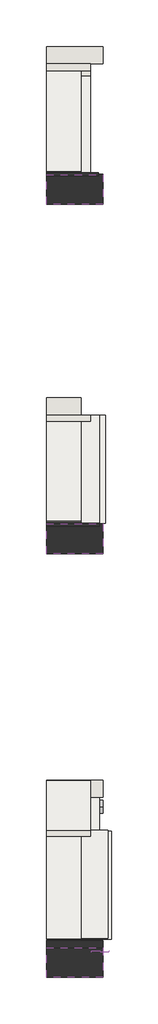
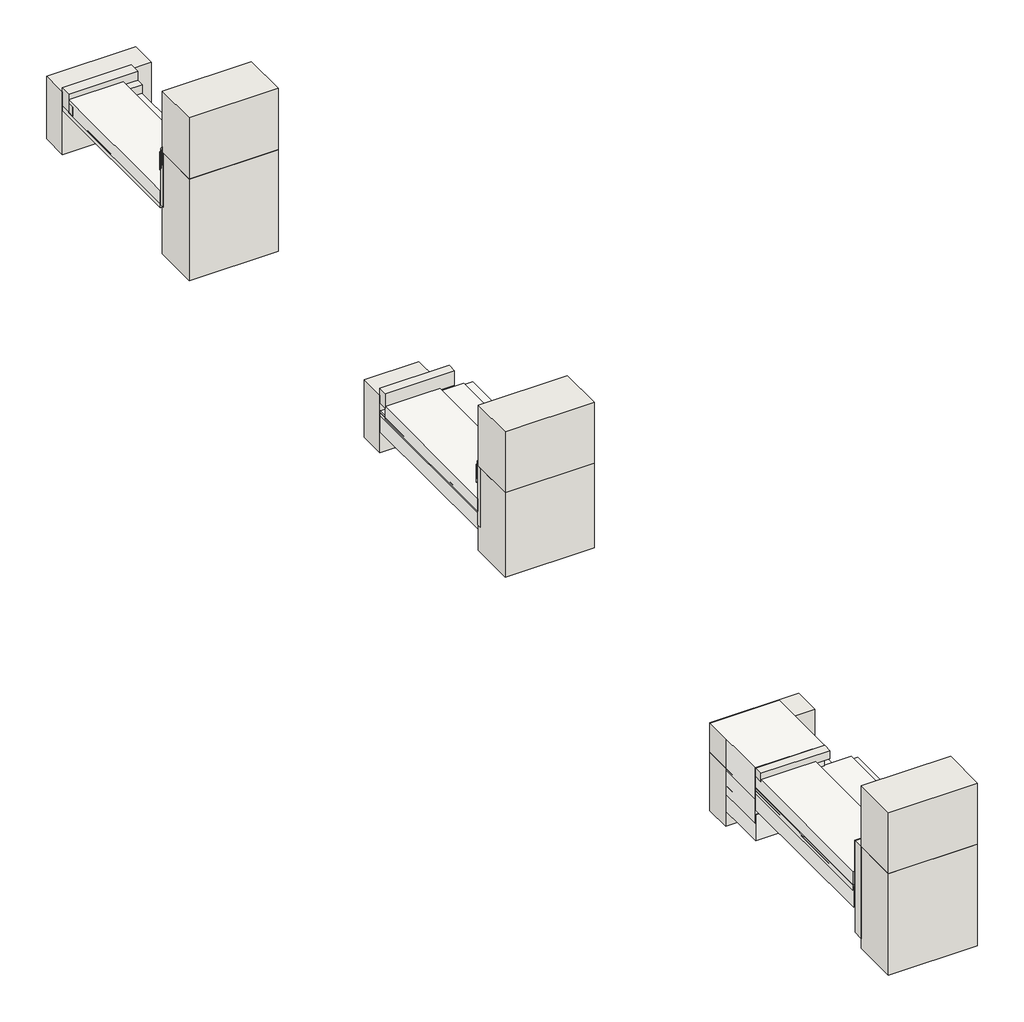
# One storey: 17 walls, 12 slabs, 3 coverings, 2 pipe segments.
"""IFC4 building model written with IfcOpenShell, lengths in millimetres."""

from ifc_helpers import new_model, si_unit, point, frame, frame_2d, origin, origin_with_axes, place, context, project, spatial, polyline, circle_curve, trimmed, segment, composite_curve, outline, extrude, element, save

model = new_model("IFC4")

# Units and contexts
model_context = context("Model", 3, world=origin())
ifc_project = project(units=[si_unit("LENGTHUNIT", "METRE", prefix="MILLI")], contexts=[model_context])

# Site, building, storey
site = spatial("IfcSite", under=ifc_project)
building = spatial("IfcBuilding", under=site)
storey = spatial("IfcBuildingStorey", under=building, Elevation=0.0)

# Coverings
placement = place(None, origin())
element("IfcCovering", 1, at=placement, inside=storey, context=model_context, shape_type="SweptSolid", body=[
    extrude(outline(polyline([(-22735.7654506, 1745.9708092), (-22735.7654506, -114.5739572), (-23495.7654506, -114.5739572), (-23495.7654506, 1745.9708092), (-22735.7654506, 1745.9708092)])), frame((0.0, 0.0, 663.3942056), z_axis=(0.0, 0.0, 1.0), x_axis=(1.0, 0.0, 0.0)), (0.0, 0.0, 1.0), 57.0),
])
element("IfcCovering", 2, at=placement, inside=storey, context=model_context, shape_type="SweptSolid", body=[
    extrude(outline(polyline([(-22575.7654506, -4296.0257159), (-22575.7654506, -6156.5704823), (-23495.7654506, -6156.5704823), (-23495.7654506, -4296.0257159), (-22575.7654506, -4296.0257159)])), frame((0.0, 0.0, 781.2434165), z_axis=(0.0, 0.0, 1.0), x_axis=(1.0, 0.0, 0.0)), (0.0, 0.0, 1.0), 57.0),
])
element("IfcCovering", 3, at=placement, inside=storey, context=model_context, shape_type="SweptSolid", body=[
    extrude(outline(polyline([(-22435.7654506, -11438.9894333), (-22435.7654506, -13299.5341997), (-23495.7654506, -13299.5341997), (-23495.7654506, -11438.9894333), (-22435.7654506, -11438.9894333)])), frame((0.0, 0.0, 724.9750179), z_axis=(0.0, 0.0, 1.0), x_axis=(1.0, 0.0, 0.0)), (0.0, 0.0, 1.0), 57.0),
])

# Pipe segments
element("IfcPipeSegment", 4, at=placement, inside=storey, context=model_context, shape_type="SweptSolid", body=[
    extrude(outline(composite_curve([segment(trimmed(circle_curve(frame_2d((-11037.5808547, 538.1699949)), 109.5375), [point((-10928.0433547, 538.1699949))], [point((-11037.5808547, 428.6324949))], False, "CARTESIAN"), True, "CONTINUOUS"), segment(trimmed(circle_curve(frame_2d((-11037.5808547, 538.1699949)), 109.5375), [point((-11037.5808547, 428.6324949))], [point((-11147.1183547, 538.1699949))], False, "CARTESIAN"), True, "CONTINUOUS"), segment(trimmed(circle_curve(frame_2d((-11037.5808547, 538.1699949)), 109.5375), [point((-11147.1183547, 538.1699949))], [point((-11037.5808547, 647.7074949))], False, "CARTESIAN"), True, "CONTINUOUS"), segment(trimmed(circle_curve(frame_2d((-11037.5808547, 538.1699949)), 109.5375), [point((-11037.5808547, 647.7074949))], [point((-10928.0433547, 538.1699949))], False, "CARTESIAN"), True, "CONTINUOUS")], self_intersect=False)), frame((-22716.1686937, 0.0, 0.0), z_axis=(1.0, 0.0, 0.0), x_axis=(0.0, 1.0, 0.0)), (0.0, 0.0, 1.0), 200.0),
])
element("IfcPipeSegment", 5, at=placement, inside=storey, context=model_context, shape_type="SweptSolid", body=[
    extrude(outline(composite_curve([segment(trimmed(circle_curve(frame_2d((-13531.1956396, 1260.4836339)), 13.335), [point((-13517.8606396, 1260.4836339))], [point((-13531.1956396, 1247.1486339))], False, "CARTESIAN"), True, "CONTINUOUS"), segment(trimmed(circle_curve(frame_2d((-13531.1956396, 1260.4836339)), 13.335), [point((-13531.1956396, 1247.1486339))], [point((-13544.5306396, 1260.4836339))], False, "CARTESIAN"), True, "CONTINUOUS"), segment(trimmed(circle_curve(frame_2d((-13531.1956396, 1260.4836339)), 13.335), [point((-13544.5306396, 1260.4836339))], [point((-13531.1956396, 1273.8186339))], False, "CARTESIAN"), True, "CONTINUOUS"), segment(trimmed(circle_curve(frame_2d((-13531.1956396, 1260.4836339)), 13.335), [point((-13531.1956396, 1273.8186339))], [point((-13517.8606396, 1260.4836339))], False, "CARTESIAN"), True, "CONTINUOUS")], self_intersect=False)), frame((-22716.1686937, 0.0, 0.0), z_axis=(1.0, 0.0, 0.0), x_axis=(0.0, 1.0, 0.0)), (0.0, 0.0, 1.0), 300.0),
])

# Slabs
element("IfcSlab", 6, at=placement, inside=storey, context=model_context, shape_type="SweptSolid", body=[
    extrude(outline(polyline([(-23495.7654506, 1634.7450289), (-22896.6322785, 1634.7450289), (-22896.6322785, -114.3992012), (-23495.7654506, -114.3992012), (-23495.7654506, 1634.7450289)])), frame((0.0, 0.0, 710.0), z_axis=(0.0, 0.0, 1.0), x_axis=(1.0, 0.0, 0.0)), (0.0, 0.0, 1.0), 150.0),
])
element("IfcSlab", 7, at=placement, inside=storey, context=model_context, shape_type="SweptSolid", body=[
    extrude(outline(polyline([(-23495.7654506, -4394.907487), (-22896.6322785, -4394.907487), (-22896.6322785, -6159.5819587), (-23495.7654506, -6159.5819587), (-23495.7654506, -4394.907487)])), frame((0.0, 0.0, 800.0), z_axis=(0.0, 0.0, 1.0), x_axis=(1.0, 0.0, 0.0)), (0.0, 0.0, 1.0), 150.0),
])
element("IfcSlab", 8, at=placement, inside=storey, context=model_context, shape_type="SweptSolid", body=[
    extrude(outline(polyline([(-23495.7654506, -4291.960648), (-22475.7654506, -4291.960648), (-22475.7654506, -6156.6469918), (-23495.7654506, -6156.6469918), (-23495.7654506, -4291.960648)])), frame((0.0, 0.0, 595.7241801), z_axis=(0.0, 0.0, 1.0), x_axis=(1.0, 0.0, 0.0)), (0.0, 0.0, 1.0), 225.0),
])
element("IfcSlab", 9, at=placement, inside=storey, context=model_context, shape_type="SweptSolid", body=[
    extrude(outline(polyline([(-23495.7654506, -11448.1956396), (-22896.6322785, -11448.1956396), (-22896.6322785, -13313.7844163), (-23495.7654506, -13313.7844163), (-23495.7654506, -11448.1956396)])), frame((0.0, 0.0, 800.0), z_axis=(0.0, 0.0, 1.0), x_axis=(1.0, 0.0, 0.0)), (0.0, 0.0, 1.0), 150.0),
])
element("IfcSlab", 10, at=placement, inside=storey, context=model_context, shape_type="SweptSolid", body=[
    extrude(outline(polyline([(-23495.7654506, -11456.6251925), (-22375.7654506, -11456.6251925), (-22375.7654506, -13316.3264781), (-23495.7654506, -13316.3264781), (-23495.7654506, -11456.6251925)])), frame((0.0, 0.0, 540.0), z_axis=(0.0, 0.0, 1.0), x_axis=(1.0, 0.0, 0.0)), (0.0, 0.0, 1.0), 225.0),
])
element("IfcSlab", 11, at=placement, inside=storey, context=model_context, shape_type="SweptSolid", body=[
    extrude(outline(polyline([(-23495.7654506, -10587.5808547), (-22735.7654506, -10587.5808547), (-22735.7654506, -11444.0071447), (-23495.7654506, -11444.0071447), (-23495.7654506, -10587.5808547)])), frame((0.0, 0.0, 660.0), z_axis=(0.0, 0.0, 1.0), x_axis=(1.0, 0.0, 0.0)), (0.0, 0.0, 1.0), 362.0),
])
element("IfcSlab", 12, at=placement, inside=storey, context=model_context, shape_type="SweptSolid", body=[
    extrude(outline(polyline([(-23495.7654506, -10588.0800541), (-22575.7654506, -10588.0800541), (-22575.7654506, -11442.7489773), (-23495.7654506, -11442.7489773), (-23495.7654506, -10588.0800541)])), frame((0.0, 0.0, 380.0), z_axis=(0.0, 0.0, 1.0), x_axis=(1.0, 0.0, 0.0)), (0.0, 0.0, 1.0), 300.0),
])
element("IfcSlab", 13, at=placement, inside=storey, context=model_context, shape_type="SweptSolid", body=[
    extrude(outline(polyline([(-23495.7654506, -10585.1463981), (-22575.7654506, -10585.1463981), (-22575.7654506, -11447.9916249), (-23495.7654506, -11447.9916249), (-23495.7654506, -10585.1463981)])), frame((0.0, 0.0, 180.0), z_axis=(0.0, 0.0, 1.0), x_axis=(1.0, 0.0, 0.0)), (0.0, 0.0, 1.0), 300.0),
])
element("IfcSlab", 14, at=placement, inside=storey, context=model_context, shape_type="SweptSolid", body=[
    extrude(outline(polyline([(-150.4730891, 1185.0), (-150.4730891, 1395.0), (-118.1956396, 1360.0), (-118.1956396, 1150.0), (-150.4730891, 1185.0)])), frame((-23495.7654506, 0.0, 0.0), z_axis=(1.0, 0.0, 0.0), x_axis=(0.0, 1.0, 0.0)), (0.0, 0.0, 1.0), 599.133172),
])
element("IfcSlab", 15, at=placement, inside=storey, context=model_context, shape_type="SweptSolid", body=[
    extrude(outline(polyline([(-130.7338728, 1133.5628544), (-130.7338728, 1343.5628544), (-98.4564232, 1308.5628544), (-98.4564232, 1098.5628544), (-130.7338728, 1133.5628544)])), frame((-23495.7654506, 0.0, 0.0), z_axis=(1.0, 0.0, 0.0), x_axis=(0.0, 1.0, 0.0)), (0.0, 0.0, 1.0), 599.133172),
])
element("IfcSlab", 16, at=placement, inside=storey, context=model_context, shape_type="SweptSolid", body=[
    extrude(outline(polyline([(-6176.7751591, 1203.2444228), (-6176.7751591, 1413.2444228), (-6144.4977096, 1378.2444228), (-6144.4977096, 1168.2444228), (-6176.7751591, 1203.2444228)])), frame((-23495.7654506, 0.0, 0.0), z_axis=(1.0, 0.0, 0.0), x_axis=(0.0, 1.0, 0.0)), (0.0, 0.0, 1.0), 599.133172),
])
element("IfcSlab", 17, at=placement, inside=storey, context=model_context, shape_type="SweptSolid", body=[
    extrude(outline(polyline([(-6157.0359428, 1151.8072772), (-6157.0359428, 1361.8072772), (-6124.7584932, 1326.8072772), (-6124.7584932, 1116.8072772), (-6157.0359428, 1151.8072772)])), frame((-23495.7654506, 0.0, 0.0), z_axis=(1.0, 0.0, 0.0), x_axis=(0.0, 1.0, 0.0)), (0.0, 0.0, 1.0), 599.133172),
])

# Walls
element("IfcWall", 18, at=placement, inside=storey, context=model_context, shape_type="SweptSolid", body=[
    extrude(outline(polyline([(-23495.7654506, 1754.7450289), (-22735.7654506, 1754.7450289), (-22735.7654506, 1634.7450289), (-23495.7654506, 1634.7450289), (-23495.7654506, 1754.7450289)])), frame((0.0, 0.0, 720.3942056), z_axis=(0.0, 0.0, 1.0), x_axis=(1.0, 0.0, 0.0)), (0.0, 0.0, 1.0), 204.6057944),
])
element("IfcWall", 19, at=placement, inside=storey, context=model_context, shape_type="SweptSolid", body=[
    extrude(outline(polyline([(-23495.7654506, -118.1956396), (-22595.7654506, -118.1956396), (-22595.7654506, -168.1956396), (-23495.7654506, -168.1956396), (-23495.7654506, -118.1956396)])), frame((0.0, 0.0, 700.0), z_axis=(0.0, 0.0, 1.0), x_axis=(1.0, 0.0, 0.0)), (0.0, 0.0, 1.0), 630.0),
])
element("IfcWall", 20, at=placement, inside=storey, context=model_context, shape_type="SweptSolid", body=[
    extrude(outline(polyline([(-23495.7654506, -148.1956396), (-22515.7654506, -148.1956396), (-22515.7654506, -662.1956396), (-23495.7654506, -662.1956396), (-23495.7654506, -148.1956396)])), frame((0.0, 0.0, 148.3942056), z_axis=(0.0, 0.0, 1.0), x_axis=(1.0, 0.0, 0.0)), (0.0, 0.0, 1.0), 1181.0316678),
])
element("IfcWall", 21, at=placement, inside=storey, context=model_context, shape_type="SweptSolid", body=[
    extrude(outline(polyline([(-23495.7654506, -149.1956396), (-22515.7654506, -149.1956396), (-22515.7654506, -661.1956396), (-23495.7654506, -661.1956396), (-23495.7654506, -149.1956396)])), frame((0.0, 0.0, 1329.4258733), z_axis=(0.0, 0.0, 1.0), x_axis=(1.0, 0.0, 0.0)), (0.0, 0.0, 1.0), 710.5741267),
])
element("IfcWall", 22, at=placement, inside=storey, context=model_context, shape_type="SweptSolid", body=[
    extrude(outline(polyline([(-23495.7654506, -4294.907487), (-22735.7654506, -4294.907487), (-22735.7654506, -4394.907487), (-23495.7654506, -4394.907487), (-23495.7654506, -4294.907487)])), frame((0.0, 0.0, 930.0), z_axis=(0.0, 0.0, 1.0), x_axis=(1.0, 0.0, 0.0)), (0.0, 0.0, 1.0), 170.0),
])
element("IfcWall", 23, at=placement, inside=storey, context=model_context, shape_type="SweptSolid", body=[
    extrude(outline(polyline([(-23495.7654506, -6153.1956396), (-22575.7654506, -6153.1956396), (-22575.7654506, -6203.1956396), (-23495.7654506, -6203.1956396), (-23495.7654506, -6153.1956396)])), frame((0.0, 0.0, 640.7241801), z_axis=(0.0, 0.0, 1.0), x_axis=(1.0, 0.0, 0.0)), (0.0, 0.0, 1.0), 689.2758199),
])
element("IfcWall", 24, at=placement, inside=storey, context=model_context, shape_type="SweptSolid", body=[
    extrude(outline(polyline([(-23495.7654506, -6163.1956396), (-22515.7654506, -6163.1956396), (-22515.7654506, -6677.1956396), (-23495.7654506, -6677.1956396), (-23495.7654506, -6163.1956396)])), frame((0.0, 0.0, 348.8695012), z_axis=(0.0, 0.0, 1.0), x_axis=(1.0, 0.0, 0.0)), (0.0, 0.0, 1.0), 980.5563721),
])
element("IfcWall", 25, at=placement, inside=storey, context=model_context, shape_type="SweptSolid", body=[
    extrude(outline(polyline([(-23495.7654506, 2054.7450289), (-22515.7654506, 2054.7450289), (-22515.7654506, 1754.7450289), (-23495.7654506, 1754.7450289), (-23495.7654506, 2054.7450289)])), frame((0.0, 0.0, 148.3942056), z_axis=(0.0, 0.0, 1.0), x_axis=(1.0, 0.0, 0.0)), (0.0, 0.0, 1.0), 731.6057944),
])
element("IfcWall", 26, at=placement, inside=storey, context=model_context, shape_type="SweptSolid", body=[
    extrude(outline(polyline([(-23495.7654506, 1631.8043604), (-22735.7654506, 1631.8043604), (-22735.7654506, 1551.8043604), (-23495.7654506, 1551.8043604), (-23495.7654506, 1631.8043604)])), frame((0.0, 0.0, 720.3942056), z_axis=(0.0, 0.0, 1.0), x_axis=(1.0, 0.0, 0.0)), (0.0, 0.0, 1.0), 99.6057944),
])
element("IfcWall", 27, at=placement, inside=storey, context=model_context, shape_type="SweptSolid", body=[
    extrude(outline(polyline([(-23495.7654506, -11448.1956396), (-22735.7654506, -11448.1956396), (-22735.7654506, -11548.1956396), (-23495.7654506, -11548.1956396), (-23495.7654506, -11448.1956396)])), frame((0.0, 0.0, 927.0), z_axis=(0.0, 0.0, 1.0), x_axis=(1.0, 0.0, 0.0)), (0.0, 0.0, 1.0), 95.0),
])
element("IfcWall", 28, at=placement, inside=storey, context=model_context, shape_type="SweptSolid", body=[
    extrude(outline(polyline([(-23495.7654506, -13343.1956396), (-22515.7654506, -13343.1956396), (-22515.7654506, -13463.1956396), (-23495.7654506, -13463.1956396), (-23495.7654506, -13343.1956396)])), frame((0.0, 0.0, 261.2434165), z_axis=(0.0, 0.0, 1.0), x_axis=(1.0, 0.0, 0.0)), (0.0, 0.0, 1.0), 1068.7565835),
])
element("IfcWall", 29, at=placement, inside=storey, context=model_context, shape_type="SweptSolid", body=[
    extrude(outline(polyline([(-23495.7654506, -13333.1956396), (-22550.7654506, -13333.1956396), (-22550.7654506, -13383.1956396), (-23495.7654506, -13383.1956396), (-23495.7654506, -13333.1956396)])), frame((0.0, 0.0, 640.7241801), z_axis=(0.0, 0.0, 1.0), x_axis=(1.0, 0.0, 0.0)), (0.0, 0.0, 1.0), 689.2758199),
])
element("IfcWall", 30, at=placement, inside=storey, context=model_context, shape_type="SweptSolid", body=[
    extrude(outline(polyline([(-23495.7654506, -13463.1956396), (-22515.7654506, -13463.1956396), (-22515.7654506, -13977.1956396), (-23495.7654506, -13977.1956396), (-23495.7654506, -13463.1956396)])), frame((0.0, 0.0, 148.3942056), z_axis=(0.0, 0.0, 1.0), x_axis=(1.0, 0.0, 0.0)), (0.0, 0.0, 1.0), 1181.0316678),
])
element("IfcWall", 31, at=placement, inside=storey, context=model_context, shape_type="SweptSolid", body=[
    extrude(outline(polyline([(-23495.7654506, -6165.1956396), (-22515.7654506, -6165.1956396), (-22515.7654506, -6677.1956396), (-23495.7654506, -6677.1956396), (-23495.7654506, -6165.1956396)])), frame((0.0, 0.0, 1329.4258733), z_axis=(0.0, 0.0, 1.0), x_axis=(1.0, 0.0, 0.0)), (0.0, 0.0, 1.0), 710.5741267),
])
element("IfcWall", 32, at=placement, inside=storey, context=model_context, shape_type="SweptSolid", body=[
    extrude(outline(polyline([(-23495.7654506, -13465.1956396), (-22515.7654506, -13465.1956396), (-22515.7654506, -13977.1956396), (-23495.7654506, -13977.1956396), (-23495.7654506, -13465.1956396)])), frame((0.0, 0.0, 1329.4258733), z_axis=(0.0, 0.0, 1.0), x_axis=(1.0, 0.0, 0.0)), (0.0, 0.0, 1.0), 710.5741267),
])
element("IfcWall", 33, at=placement, inside=storey, context=model_context, shape_type="SweptSolid", body=[
    extrude(outline(polyline([(-23495.7654506, -10577.5808547), (-22515.7654506, -10577.5808547), (-22515.7654506, -10877.5808547), (-23495.7654506, -10877.5808547), (-23495.7654506, -10577.5808547)])), origin_with_axes(), (0.0, 0.0, 1.0), 1020.0),
])
element("IfcWall", 34, at=placement, inside=storey, context=model_context, shape_type="SweptSolid", body=[
    extrude(outline(polyline([(-23495.7654506, -3994.907487), (-22895.7654506, -3994.907487), (-22895.7654506, -4294.907487), (-23495.7654506, -4294.907487), (-23495.7654506, -3994.907487)])), frame((0.0, 0.0, 349.2563319), z_axis=(0.0, 0.0, 1.0), x_axis=(1.0, 0.0, 0.0)), (0.0, 0.0, 1.0), 670.7436681),
])

save(model, "model.ifc")
